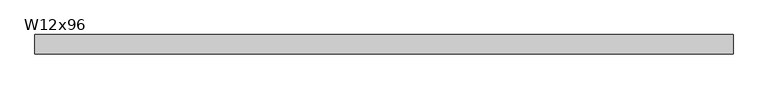
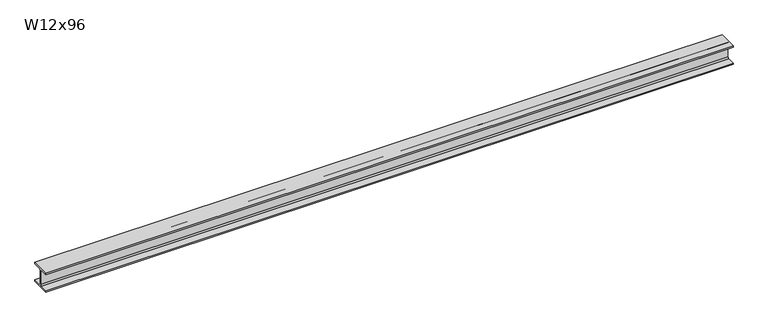
"""IFC4 building model written with IfcOpenShell, lengths in millimetres: beam geometry, W12x96."""

from ifc_helpers import new_model, si_unit, point, frame, frame_2d, origin, place, context, project, spatial, polyline, circle_curve, trimmed, segment, composite_curve, outline, extrude, source, transform, mapped, element, save


def w12x96_4b609b58(model_context):
    return source(origin(), model_context, "Body", "SweptSolid", [
        extrude(outline(composite_curve([segment(polyline([(154.94, -138.43), (154.94, -161.29), (-154.94, -161.29), (-154.94, -138.43), (-30.1625, -138.43)]), True, "CONTINUOUS"), segment(trimmed(circle_curve(frame_2d((-30.1625, -115.2525)), 23.1775), [point((-30.1625, -138.43))], [point((-6.985, -115.2525))], True, "CARTESIAN"), True, "CONTINUOUS"), segment(polyline([(-6.985, -115.2525), (-6.985, 115.2525)]), True, "CONTINUOUS"), segment(trimmed(circle_curve(frame_2d((-30.1625, 115.2525)), 23.1775), [point((-6.985, 115.2525))], [point((-30.1625, 138.43))], True, "CARTESIAN"), True, "CONTINUOUS"), segment(polyline([(-30.1625, 138.43), (-154.94, 138.43), (-154.94, 161.29), (154.94, 161.29), (154.94, 138.43), (30.1625, 138.43)]), True, "CONTINUOUS"), segment(trimmed(circle_curve(frame_2d((30.1625, 115.2525)), 23.1775), [point((30.1625, 138.43))], [point((6.985, 115.2525))], True, "CARTESIAN"), True, "CONTINUOUS"), segment(polyline([(6.985, 115.2525), (6.985, -115.2525)]), True, "CONTINUOUS"), segment(trimmed(circle_curve(frame_2d((30.1625, -115.2525)), 23.1775), [point((6.985, -115.2525))], [point((30.1625, -138.43))], True, "CARTESIAN"), True, "CONTINUOUS"), segment(polyline([(30.1625, -138.43), (154.94, -138.43)]), True, "CONTINUOUS")], self_intersect=False)), frame((-5623.2603798, 0.0, 0.0), z_axis=(1.0, 0.0, 0.0), x_axis=(0.0, 1.0, 0.0)), (0.0, 0.0, 1.0), 11246.5207596),
    ])


if __name__ == "__main__":
    model = new_model("IFC4")
    model_context = context("Model", 3, world=origin())
    ifc_project = project(units=[si_unit("LENGTHUNIT", "METRE", prefix="MILLI")], contexts=[model_context])
    site = spatial("IfcSite", under=ifc_project)
    building = spatial("IfcBuilding", under=site)
    placement = place(None, origin())
    w12x96_shape = w12x96_4b609b58(model_context)
    element("IfcBeam", 1, ObjectType="W12x96", at=placement, inside=building, context=model_context, shape_type="MappedRepresentation", body=[
        mapped(w12x96_shape, transform((0.0, 0.0, 0.0), x_axis=(1.0, 0.0, 0.0), y_axis=(0.0, 1.0, 0.0), z_axis=(0.0, 0.0, 1.0))),
    ])
    save(model, "model.ifc")
